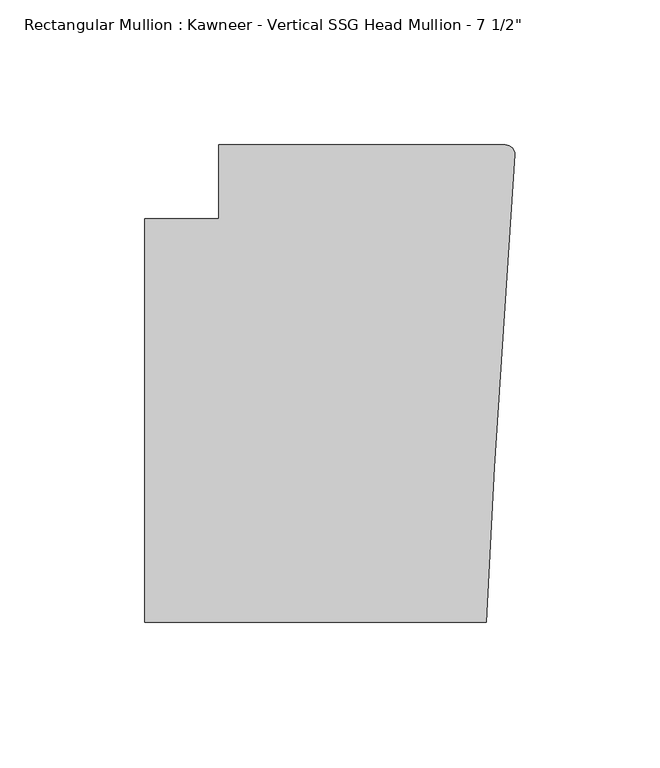
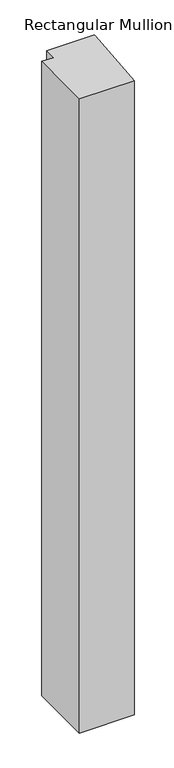
"""IFC4 building model written with IfcOpenShell, lengths in millimetres: member geometry."""

from ifc_helpers import new_model, si_unit, point, frame, frame_2d, origin, place, context, project, spatial, polyline, circle_curve, trimmed, segment, composite_curve, outline, extrude, source, transform, mapped, element, save


def member_33fce0d4(model_context):
    return source(origin(), model_context, "Body", "SweptSolid", [
        extrude(outline(composite_curve([segment(polyline([(-102.08978, 12.7), (-3.175, 12.7)]), True, "CONTINUOUS"), segment(trimmed(circle_curve(frame_2d((-3.175, 9.525)), 3.175), [point((-3.175, 12.7))], [point((-0.006635, 9.3198462))], False, "CARTESIAN"), True, "CONTINUOUS"), segment(polyline([(-0.006635, 9.3198462), (-6.9873394, -98.4891117), (-9.7860662, -151.892), (-127.4896668, -151.892), (-127.4896668, -12.7), (-102.08978, -12.7), (-102.08978, 12.7)]), True, "CONTINUOUS")], self_intersect=False)), frame((0.0, 0.0, -1433.8081727), z_axis=(0.0, 0.0, 1.0), x_axis=(1.0, 0.0, 0.0)), (0.0, 0.0, 1.0), 1433.8081727),
    ])


if __name__ == "__main__":
    model = new_model("IFC4")
    model_context = context("Model", 3, world=origin())
    ifc_project = project(units=[si_unit("LENGTHUNIT", "METRE", prefix="MILLI")], contexts=[model_context])
    site = spatial("IfcSite", under=ifc_project)
    building = spatial("IfcBuilding", under=site)
    placement = place(None, origin())
    member_shape = member_33fce0d4(model_context)
    element("IfcMember", 1, ObjectType="Rectangular Mullion : Kawneer - Vertical SSG Head Mullion - 7 1/2\"", at=placement, inside=building, context=model_context, shape_type="MappedRepresentation", body=[
        mapped(member_shape, transform((0.0, 0.0, 0.0), x_axis=(1.0, 0.0, 0.0), y_axis=(0.0, 1.0, 0.0), z_axis=(0.0, 0.0, 1.0))),
    ])
    save(model, "model.ifc")
